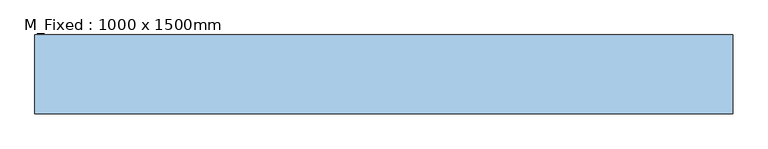
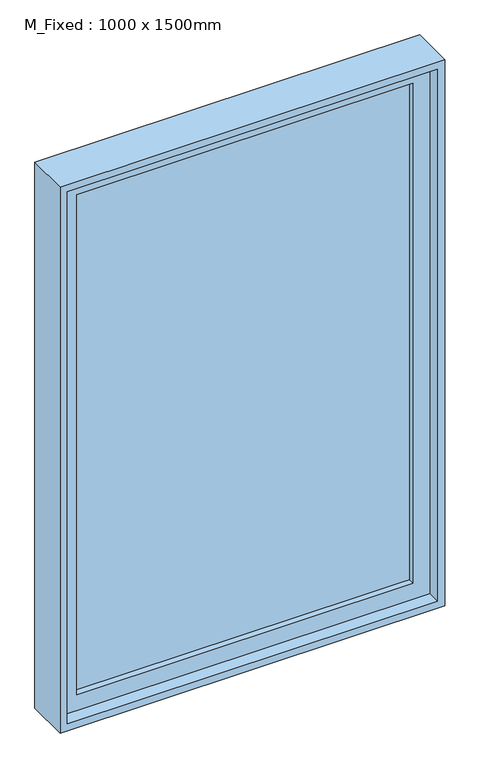
"""IFC4 building model written with IfcOpenShell, lengths in millimetres: window geometry, M_Fixed : 1000 x 1500mm."""

from ifc_helpers import new_model, si_unit, frame, origin, place, context, project, spatial, polyline, outline, extrude, source, transform, mapped, element, save


def m_fixed_1000_x_1500mm_b776f213(model_context):
    return source(origin(), model_context, "Body", "SweptSolid", [
        extrude(outline(polyline([(-437.0, 19.0), (437.0, 19.0), (437.0, 7.0), (-437.0, 7.0), (-437.0, 19.0)])), frame((0.0, 0.0, 978.0), z_axis=(0.0, 0.0, 1.0), x_axis=(1.0, 0.0, 0.0)), (0.0, 0.0, 1.0), 1374.0),
        extrude(outline(polyline([(2396.0, -481.0), (934.0, -481.0), (934.0, 481.0), (2396.0, 481.0), (2396.0, -481.0)]), holes=[polyline([(2352.0, -437.0), (2352.0, 437.0), (978.0, 437.0), (978.0, -437.0), (2352.0, -437.0)])]), frame((0.0, -9.0, 0.0), z_axis=(0.0, 1.0, 0.0), x_axis=(0.0, 0.0, 1.0)), (0.0, 0.0, 1.0), 44.0),
        extrude(outline(polyline([(2415.0, -500.0), (915.0, -500.0), (915.0, 500.0), (2415.0, 500.0), (2415.0, -500.0)]), holes=[polyline([(2396.0, -481.0), (2396.0, 481.0), (934.0, 481.0), (934.0, -481.0), (2396.0, -481.0)])]), frame((0.0, -43.5, 0.0), z_axis=(0.0, 1.0, 0.0), x_axis=(0.0, 0.0, 1.0)), (0.0, 0.0, 1.0), 113.0),
    ])


if __name__ == "__main__":
    model = new_model("IFC4")
    model_context = context("Model", 3, world=origin())
    ifc_project = project(units=[si_unit("LENGTHUNIT", "METRE", prefix="MILLI")], contexts=[model_context])
    site = spatial("IfcSite", under=ifc_project)
    building = spatial("IfcBuilding", under=site)
    placement = place(None, origin())
    m_fixed_1000_x_1500mm_shape = m_fixed_1000_x_1500mm_b776f213(model_context)
    element("IfcWindow", 1, ObjectType="M_Fixed : 1000 x 1500mm", at=placement, inside=building, context=model_context, shape_type="MappedRepresentation", body=[
        mapped(m_fixed_1000_x_1500mm_shape, transform((0.0, 0.0, 0.0), x_axis=(1.0, 0.0, 0.0), y_axis=(0.0, 1.0, 0.0), z_axis=(0.0, 0.0, 1.0))),
    ])
    save(model, "model.ifc")
